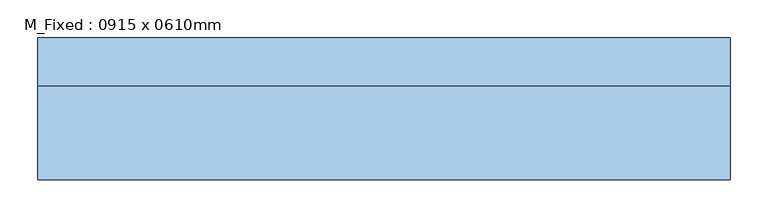
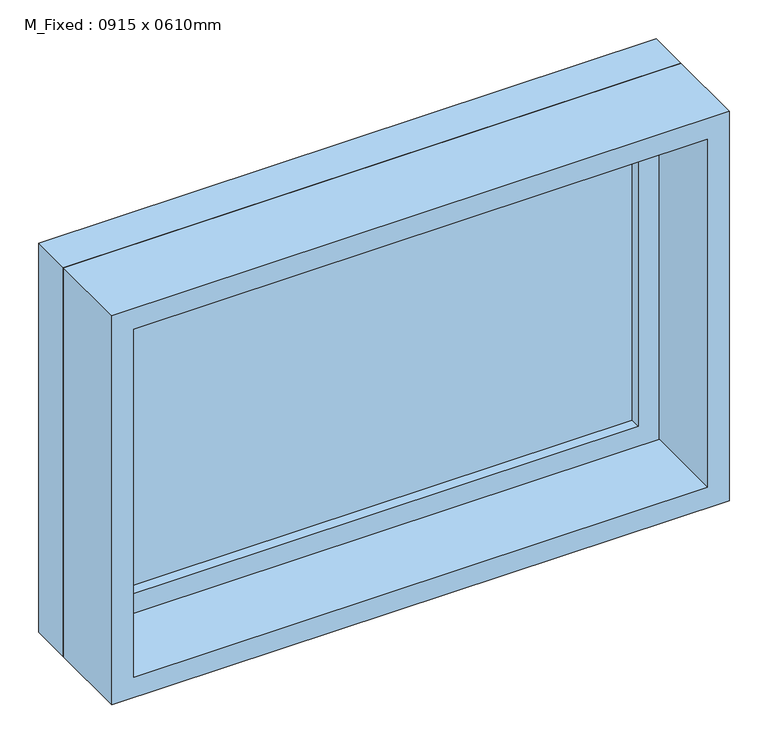
"""IFC4 building model written with IfcOpenShell, lengths in millimetres: window geometry, M_Fixed : 0915 x 0610mm."""

from ifc_helpers import new_model, si_unit, frame, origin, place, context, project, spatial, polyline, outline, extrude, source, transform, mapped, element, save


def m_fixed_0915_x_0610mm_71c29062(model_context):
    return source(origin(), model_context, "Body", "SweptSolid", [
        extrude(outline(polyline([(-394.5, 71.75), (394.5, 71.75), (394.5, 59.75), (-394.5, 59.75), (-394.5, 71.75)])), frame((0.0, 0.0, 978.0), z_axis=(0.0, 0.0, 1.0), x_axis=(1.0, 0.0, 0.0)), (0.0, 0.0, 1.0), 484.0),
        extrude(outline(polyline([(1506.0, -438.5), (934.0, -438.5), (934.0, 438.5), (1506.0, 438.5), (1506.0, -438.5)]), holes=[polyline([(1462.0, -394.5), (1462.0, 394.5), (978.0, 394.5), (978.0, -394.5), (1462.0, -394.5)])]), frame((0.0, 43.75, 0.0), z_axis=(0.0, 1.0, 0.0), x_axis=(0.0, 0.0, 1.0)), (0.0, 0.0, 1.0), 44.0),
        extrude(outline(polyline([(1525.0, -457.5), (915.0, -457.5), (915.0, 457.5), (1525.0, 457.5), (1525.0, -457.5)]), holes=[polyline([(1506.0, -438.5), (1506.0, 438.5), (934.0, 438.5), (934.0, -438.5), (1506.0, -438.5)])]), frame((0.0, 43.75, 0.0), z_axis=(0.0, 1.0, 0.0), x_axis=(0.0, 0.0, 1.0)), (0.0, 0.0, 1.0), 63.0),
        extrude(outline(polyline([(1525.0, -457.5), (915.0, -457.5), (915.0, 457.5), (1525.0, 457.5), (1525.0, -457.5)]), holes=[polyline([(1493.0, -425.5), (1493.0, 425.5), (947.0, 425.5), (947.0, -425.5), (1493.0, -425.5)])]), frame((0.0, -80.75, 0.0), z_axis=(0.0, 1.0, 0.0), x_axis=(0.0, 0.0, 1.0)), (0.0, 0.0, 1.0), 124.5),
    ])


if __name__ == "__main__":
    model = new_model("IFC4")
    model_context = context("Model", 3, world=origin())
    ifc_project = project(units=[si_unit("LENGTHUNIT", "METRE", prefix="MILLI")], contexts=[model_context])
    site = spatial("IfcSite", under=ifc_project)
    building = spatial("IfcBuilding", under=site)
    placement = place(None, origin())
    m_fixed_0915_x_0610mm_shape = m_fixed_0915_x_0610mm_71c29062(model_context)
    element("IfcWindow", 1, ObjectType="M_Fixed : 0915 x 0610mm", at=placement, inside=building, context=model_context, shape_type="MappedRepresentation", body=[
        mapped(m_fixed_0915_x_0610mm_shape, transform((0.0, 0.0, 0.0), x_axis=(1.0, 0.0, 0.0), y_axis=(0.0, 1.0, 0.0), z_axis=(0.0, 0.0, 1.0))),
    ])
    save(model, "model.ifc")
